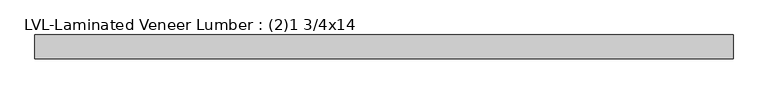
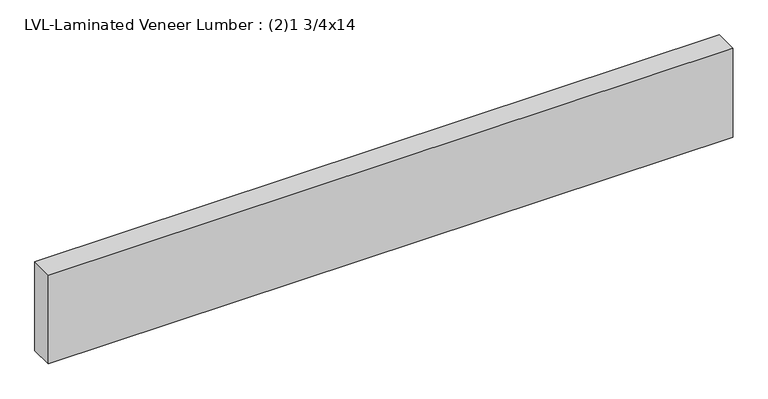
"""IFC4 building model written with IfcOpenShell, lengths in millimetres: beam geometry, LVL-Laminated Veneer Lumber : (2)1 3/4x14."""

from ifc_helpers import new_model, si_unit, frame, origin, place, context, project, spatial, polyline, outline, extrude, source, transform, mapped, element, save


def lvl_laminated_veneer_lumber_2_1_3_4x14_ae3ac44e(model_context):
    return source(origin(), model_context, "Body", "SweptSolid", [
        extrude(outline(polyline([(1260.475, 44.45), (1260.475, -44.45), (-1330.325, -44.45), (-1330.325, 44.45), (1260.475, 44.45)])), frame((0.0, 0.0, -177.8), z_axis=(0.0, 0.0, 1.0), x_axis=(1.0, 0.0, 0.0)), (0.0, 0.0, 1.0), 355.6),
    ])


if __name__ == "__main__":
    model = new_model("IFC4")
    model_context = context("Model", 3, world=origin())
    ifc_project = project(units=[si_unit("LENGTHUNIT", "METRE", prefix="MILLI")], contexts=[model_context])
    site = spatial("IfcSite", under=ifc_project)
    building = spatial("IfcBuilding", under=site)
    placement = place(None, origin())
    lvl_laminated_veneer_lumber_2_1_3_4x14_shape = lvl_laminated_veneer_lumber_2_1_3_4x14_ae3ac44e(model_context)
    element("IfcBeam", 1, ObjectType="LVL-Laminated Veneer Lumber : (2)1 3/4x14", at=placement, inside=building, context=model_context, shape_type="MappedRepresentation", body=[
        mapped(lvl_laminated_veneer_lumber_2_1_3_4x14_shape, transform((0.0, 0.0, 0.0), x_axis=(1.0, 0.0, 0.0), y_axis=(0.0, 1.0, 0.0), z_axis=(0.0, 0.0, 1.0))),
    ])
    save(model, "model.ifc")
